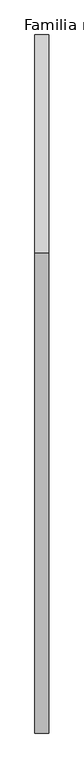
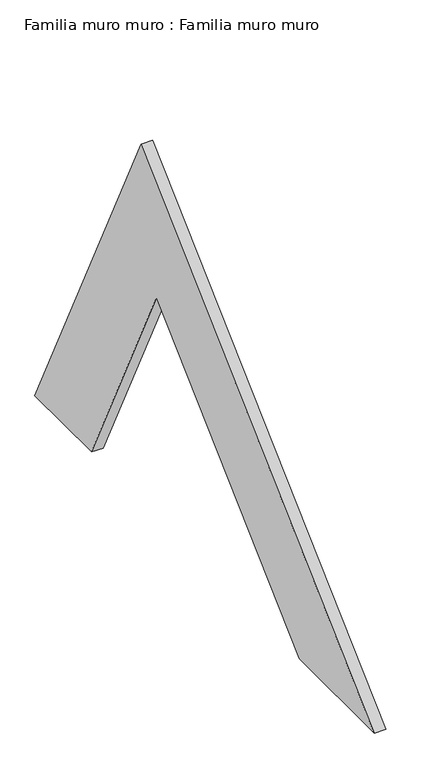
"""IFC4 building model written with IfcOpenShell, lengths in millimetres: plate geometry, Familia muro muro : Familia muro muro."""

from ifc_helpers import new_model, si_unit, frame, origin, place, context, project, spatial, polyline, outline, extrude, source, transform, mapped, element, save


def familia_muro_muro_familia_muro_muro_bdfddf7e(model_context):
    return source(origin(), model_context, "Body", "SweptSolid", [
        extrude(outline(polyline([(-312.6287947, 640.9840187), (0.0, 0.0), (-166.8902911, 0.0), (-358.584211, 393.0307805), (-780.0581222, 0.0), (-1000.0, 0.0), (-312.6287947, 640.9840187)])), frame((0.0, 0.0, 0.0), z_axis=(1.0, 0.0, 0.0), x_axis=(0.0, 1.0, 0.0)), (0.0, 0.0, 1.0), 20.0),
    ])


if __name__ == "__main__":
    model = new_model("IFC4")
    model_context = context("Model", 3, world=origin())
    ifc_project = project(units=[si_unit("LENGTHUNIT", "METRE", prefix="MILLI")], contexts=[model_context])
    site = spatial("IfcSite", under=ifc_project)
    building = spatial("IfcBuilding", under=site)
    placement = place(None, origin())
    familia_muro_muro_familia_muro_muro_shape = familia_muro_muro_familia_muro_muro_bdfddf7e(model_context)
    element("IfcPlate", 1, ObjectType="Familia muro muro : Familia muro muro", at=placement, inside=building, context=model_context, shape_type="MappedRepresentation", body=[
        mapped(familia_muro_muro_familia_muro_muro_shape, transform((0.0, 0.0, 0.0), x_axis=(1.0, 0.0, 0.0), y_axis=(0.0, 1.0, 0.0), z_axis=(0.0, 0.0, 1.0))),
    ])
    save(model, "model.ifc")
